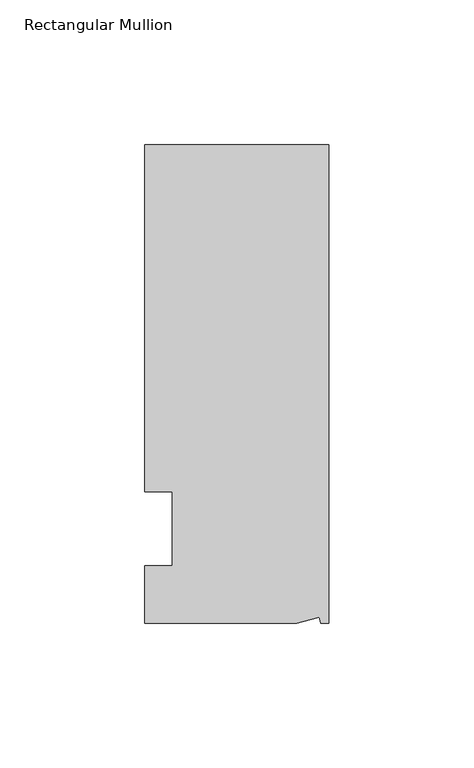
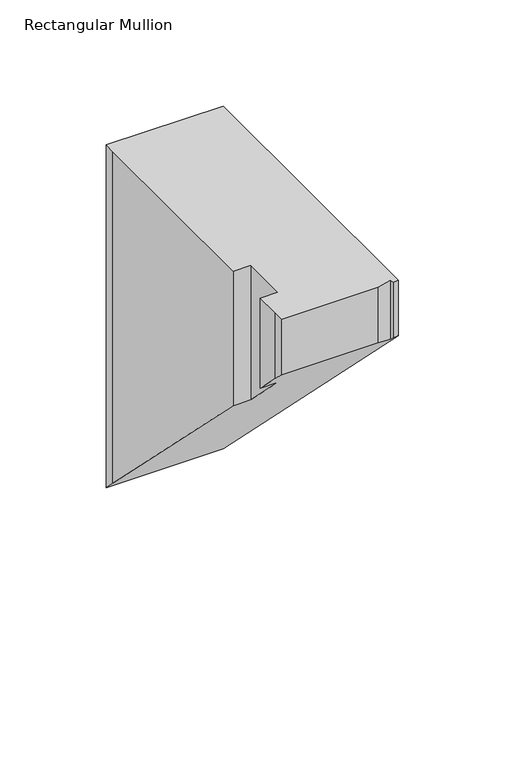
"""IFC4 building model written with IfcOpenShell, lengths in millimetres: member geometry, Rectangular Mullion."""

from ifc_helpers import new_model, si_unit, origin, place, context, project, spatial, faceted_brep, source, transform, mapped, element, save


def rectangular_mullion_482bc11e(model_context):
    return source(origin(), model_context, "Body", "Brep", [
        faceted_brep([(0.0, 132.5561012, 0.0), (-63.5, 132.5561012, 0.0), (-63.5, 126.2061012, 0.0), (-63.5, 12.8488281, 0.0), (-53.975, 12.8488281, 0.0), (-53.975, -12.7, 0.0), (-63.5, -12.7, 0.0), (-63.5, -26.1938988, 0.0), (-63.5076469, -32.5438988, 0.0), (-11.1125, -32.5438988, 0.0), (-3.3223696, -30.4565397, 0.0), (-2.7630634, -32.5438988, 0.0), (0.0, -32.5438988, 0.0), (0.0, -32.5438988, -31.9022512), (0.0, 132.5561012, -197.0022512), (-63.5, 132.5561012, -197.0022512), (-63.5, 126.2061012, -190.6522512), (-63.5, 12.8488281, -77.2949781), (-53.975, 12.8488281, -77.2949781), (-53.975, -12.7, -51.74615), (-63.5, -12.7, -51.74615), (-63.5, -26.1938988, -38.2522512), (-63.5076469, -32.5438988, -31.9022512), (-11.1125, -32.5438988, -31.9022512), (-3.3223696, -30.4565397, -33.9896103), (-2.7630634, -32.5438988, -31.9022512)], [[[0, 1, 2, 3, 4, 5, 6, 7, 8, 9, 10, 11, 12]], [[0, 12, 13, 14]], [[1, 0, 14, 15]], [[3, 2, 16, 17]], [[4, 3, 17, 18]], [[5, 4, 18, 19]], [[6, 5, 19, 20]], [[7, 6, 20, 21]], [[9, 8, 22, 23]], [[10, 9, 23, 24]], [[11, 10, 24, 25]], [[12, 11, 25, 13]], [[14, 13, 25, 24, 23, 22, 21, 20, 19, 18, 17, 16, 15]], [[2, 1, 15, 16]], [[8, 7, 21, 22]]]),
    ])


if __name__ == "__main__":
    model = new_model("IFC4")
    model_context = context("Model", 3, world=origin())
    ifc_project = project(units=[si_unit("LENGTHUNIT", "METRE", prefix="MILLI")], contexts=[model_context])
    site = spatial("IfcSite", under=ifc_project)
    building = spatial("IfcBuilding", under=site)
    placement = place(None, origin())
    rectangular_mullion_shape = rectangular_mullion_482bc11e(model_context)
    element("IfcMember", 1, ObjectType="Rectangular Mullion", at=placement, inside=building, context=model_context, shape_type="MappedRepresentation", body=[
        mapped(rectangular_mullion_shape, transform((0.0, 0.0, 0.0), x_axis=(1.0, 0.0, 0.0), y_axis=(0.0, 1.0, 0.0), z_axis=(0.0, 0.0, 1.0))),
    ])
    save(model, "model.ifc")
